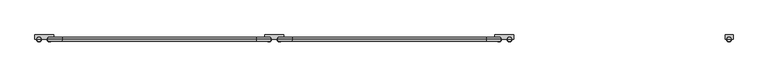
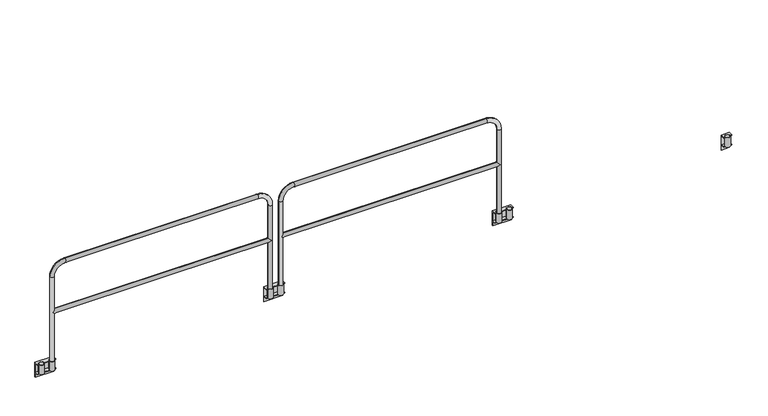
"""IFC4 building model written with IfcOpenShell, lengths in millimetres: railing geometry."""

from ifc_helpers import new_model, si_unit, point, frame, frame_2d, origin, place, context, project, spatial, polyline, circle_curve, ellipse_curve, trimmed, segment, composite_curve, outline, extrude, source, transform, mapped, element, save
from ifc_brep_helpers import plane_surface, cylinder_surface, revolved_surface, advanced_brep


def railing_58a59aab(model_context):
    return source(origin(), model_context, "Body", "SolidModel", [
        advanced_brep(
        [(44917.043726, 12431.1551937, 0.0), (44917.043726, 12431.1551937, -95.25), (44917.043726, 12393.0551937, -95.25), (44917.043726, 12393.0551937, -101.6), (44917.043726, 12431.1551937, -101.6), (44917.043726, 12431.1551937, -152.4), (44917.043726, 12437.5051937, -152.4), (44917.043726, 12437.5051937, 6.35), (44917.043726, 12393.0551937, 6.35), (44917.043726, 12393.0551937, 0.0), (44726.543726, 12431.1551937, 0.0), (44726.543726, 12393.0551937, 0.0), (44726.543726, 12393.0551937, 6.35), (44726.543726, 12437.5051937, 6.35), (44726.543726, 12437.5051937, -152.4), (44726.543726, 12431.1551937, -152.4), (44726.543726, 12431.1551937, -101.6), (44726.543726, 12393.0551937, -101.6), (44726.543726, 12393.0551937, -95.25), (44726.543726, 12431.1551937, -95.25), (44740.9246893, 12393.0551937, 0.0), (44740.9246893, 12393.0551937, 6.35), (44848.6877627, 12393.0551937, 6.35), (44794.8996893, 12393.0551937, 6.35), (44794.8996893, 12393.0551937, 0.0), (44848.6877627, 12393.0551937, 0.0), (44902.6627627, 12393.0551937, 6.35), (44902.6627627, 12393.0551937, 0.0), (44740.9246893, 12393.0551937, -95.25), (44794.8996893, 12393.0551937, -95.25), (44848.6877627, 12393.0551937, -95.25), (44902.6627627, 12393.0551937, -95.25)],
        [
            (0, 1),
            (1, 2),
            (2, 3),
            (3, 4),
            (4, 5),
            (5, 6),
            (6, 7),
            (7, 8),
            (8, 9),
            (9, 0),
            (10, 11),
            (11, 12),
            (12, 13),
            (13, 14),
            (14, 15),
            (15, 16),
            (16, 17),
            (17, 18),
            (18, 19),
            (19, 10),
            (11, 20),
            (20, 21),
            (21, 12),
            (22, 23),
            (23, 24),
            (24, 25),
            (25, 22),
            (8, 26),
            (26, 27),
            (27, 9),
            (7, 13),
            (21, 23, circle_curve(frame((44767.9121893, 12393.0551937, 6.35), z_axis=(0.0, 0.0, -1.0), x_axis=(1.0, 0.0, 0.0)), 26.9875)),
            (22, 26, circle_curve(frame((44875.6752627, 12393.0551937, 6.35), z_axis=(0.0, 0.0, -1.0), x_axis=(1.0, 0.0, 0.0)), 26.9875)),
            (27, 25, circle_curve(frame((44875.6752627, 12393.0551937, 0.0), z_axis=(0.0, 0.0, 1.0), x_axis=(1.0, 0.0, 0.0)), 26.9875)),
            (24, 20, circle_curve(frame((44767.9121893, 12393.0551937, 0.0), z_axis=(0.0, 0.0, 1.0), x_axis=(1.0, 0.0, 0.0)), 26.9875)),
            (10, 0),
            (6, 14),
            (1, 19),
            (18, 28),
            (28, 29),
            (29, 30),
            (30, 31),
            (31, 2),
            (17, 3),
            (16, 4),
            (15, 5),
        ],
        [
            plane_surface(frame((44917.043726, 12437.5051937, 0.0), z_axis=(1.0, 0.0, 0.0), x_axis=(0.0, 0.0, 1.0))),
            plane_surface(frame((44726.543726, 12437.5051937, 0.0), z_axis=(-1.0, 0.0, 0.0), x_axis=(0.0, 0.0, 1.0))),
            plane_surface(frame((44917.043726, 12393.0551937, 6.35), z_axis=(0.0, -1.0, 0.0), x_axis=(-1.0, 0.0, 0.0))),
            plane_surface(frame((44917.043726, 12437.5051937, 6.35), z_axis=(0.0, 0.0, 1.0), x_axis=(-1.0, 0.0, 0.0))),
            plane_surface(frame((44917.043726, 12393.0551937, 0.0), z_axis=(0.0, 0.0, -1.0), x_axis=(-1.0, 0.0, 0.0))),
            plane_surface(frame((44917.043726, 12437.5051937, -152.4), z_axis=(0.0, 1.0, 0.0), x_axis=(-1.0, 0.0, 0.0))),
            plane_surface(frame((44917.043726, 12431.1551937, -95.25), z_axis=(0.0, 0.0, 1.0), x_axis=(-1.0, 0.0, 0.0))),
            plane_surface(frame((44917.043726, 12393.0551937, -95.25), z_axis=(0.0, -1.0, 0.0), x_axis=(-1.0, 0.0, 0.0))),
            plane_surface(frame((44917.043726, 12393.0551937, -101.6), z_axis=(0.0, 0.0, -1.0), x_axis=(-1.0, 0.0, 0.0))),
            revolved_surface(polyline([(44794.8996893, 12393.0551937, 6.349999999999994), (44794.8996893, 12393.0551937, 0.0)]), (44767.9121893, 12393.0551937, -95.25), (0.0, 0.0, 1.0)),
            revolved_surface(polyline([(44902.662762700005, 12393.0551937, 6.35), (44902.662762700005, 12393.0551937, 0.0)]), (44875.6752627, 12393.0551937, 0.0), (0.0, 0.0, 1.0)),
            plane_surface(frame((44917.043726, 12431.1551937, -101.6), z_axis=(0.0, -1.0, 0.0), x_axis=(-1.0, 0.0, 0.0))),
            plane_surface(frame((44917.043726, 12431.1551937, -152.4), z_axis=(0.0, 0.0, -1.0), x_axis=(-1.0, 0.0, 0.0))),
            plane_surface(frame((44917.043726, 12431.1551937, 0.0), z_axis=(0.0, -1.0, 0.0), x_axis=(-1.0, 0.0, 0.0))),
        ],
        [
            (0, [[1, 2, 3, 4, 5, 6, 7, 8, 9, 10]]),
            (1, [[11, 12, 13, 14, 15, 16, 17, 18, 19, 20]]),
            (2, [[-12, 21, 22, 23]]),
            (2, [[24, 25, 26, 27]]),
            (2, [[-9, 28, 29, 30]]),
            (3, [[-8, 31, -13, -23, 32, -24, 33, -28]]),
            (4, [[-10, -30, 34, -26, 35, -21, -11, 36]]),
            (5, [[-7, 37, -14, -31]]),
            (6, [[-2, 38, -19, 39, 40, 41, 42, 43]]),
            (7, [[-3, -43, -42, -41, -40, -39, -18, 44]]),
            (8, [[-4, -44, -17, 45]]),
            (9, [[-22, -35, -25, -32]]),
            (10, [[-27, -34, -29, -33]]),
            (11, [[-5, -45, -16, 46]]),
            (12, [[-6, -46, -15, -37]]),
            (13, [[-1, -36, -20, -38]]),
        ],
    ),
        extrude(outline(composite_curve([segment(trimmed(circle_curve(frame_2d((44875.6752627, 12393.0551937)), 26.9875), [point((44848.6877627, 12393.0551937))], [point((44902.6627627, 12393.0551937))], False, "CARTESIAN"), True, "CONTINUOUS"), segment(trimmed(circle_curve(frame_2d((44875.6752627, 12393.0551937)), 26.9875), [point((44902.6627627, 12393.0551937))], [point((44848.6877627, 12393.0551937))], False, "CARTESIAN"), True, "CONTINUOUS")], self_intersect=False), holes=[composite_curve([segment(trimmed(circle_curve(frame_2d((44875.6752627, 12393.0551937)), 20.6375), [point((44855.0377627, 12393.0551937))], [point((44896.3127627, 12393.0551937))], True, "CARTESIAN"), True, "CONTINUOUS"), segment(trimmed(circle_curve(frame_2d((44875.6752627, 12393.0551937)), 20.6375), [point((44896.3127627, 12393.0551937))], [point((44855.0377627, 12393.0551937))], True, "CARTESIAN"), True, "CONTINUOUS")], self_intersect=False)]), frame((0.0, 0.0, -95.25), z_axis=(0.0, 0.0, 1.0), x_axis=(1.0, 0.0, 0.0)), (0.0, 0.0, 1.0), 101.6),
        extrude(outline(composite_curve([segment(trimmed(circle_curve(frame_2d((44767.9121893, 12393.0551937)), 26.9875), [point((44740.9246893, 12393.0551937))], [point((44794.8996893, 12393.0551937))], False, "CARTESIAN"), True, "CONTINUOUS"), segment(trimmed(circle_curve(frame_2d((44767.9121893, 12393.0551937)), 26.9875), [point((44794.8996893, 12393.0551937))], [point((44740.9246893, 12393.0551937))], False, "CARTESIAN"), True, "CONTINUOUS")], self_intersect=False), holes=[composite_curve([segment(trimmed(circle_curve(frame_2d((44767.9121893, 12393.0551937)), 20.6375), [point((44747.2746893, 12393.0551937))], [point((44788.5496893, 12393.0551937))], True, "CARTESIAN"), True, "CONTINUOUS"), segment(trimmed(circle_curve(frame_2d((44767.9121893, 12393.0551937)), 20.6375), [point((44788.5496893, 12393.0551937))], [point((44747.2746893, 12393.0551937))], True, "CARTESIAN"), True, "CONTINUOUS")], self_intersect=False)]), frame((0.0, 0.0, -95.25), z_axis=(0.0, 0.0, 1.0), x_axis=(1.0, 0.0, 0.0)), (0.0, 0.0, 1.0), 101.6),
        advanced_brep(
        [(47079.0317994, 12431.1551937, 0.0), (47079.0317994, 12393.0551937, 0.0), (47079.0317994, 12393.0551937, 6.35), (47079.0317994, 12437.5051937, 6.35), (47079.0317994, 12437.5051937, -152.4), (47079.0317994, 12431.1551937, -152.4), (47079.0317994, 12431.1551937, -101.6), (47079.0317994, 12393.0551937, -101.6), (47079.0317994, 12393.0551937, -95.25), (47079.0317994, 12431.1551937, -95.25), (47269.5317994, 12431.1551937, 0.0), (47269.5317994, 12431.1551937, -95.25), (47269.5317994, 12393.0551937, -95.25), (47269.5317994, 12393.0551937, -101.6), (47269.5317994, 12431.1551937, -101.6), (47269.5317994, 12431.1551937, -152.4), (47269.5317994, 12437.5051937, -152.4), (47269.5317994, 12437.5051937, 6.35), (47269.5317994, 12393.0551937, 6.35), (47269.5317994, 12393.0551937, 0.0), (47093.4127627, 12393.0551937, 0.0), (47093.4127627, 12393.0551937, 6.35), (47255.1508362, 12393.0551937, 6.35), (47255.1508362, 12393.0551937, 0.0), (47147.3877627, 12393.0551937, 6.35), (47147.3877627, 12393.0551937, 0.0), (47201.1758362, 12393.0551937, 0.0), (47201.1758362, 12393.0551937, 6.35), (47093.4127627, 12393.0551937, -95.25), (47147.3877627, 12393.0551937, -95.25), (47201.1758362, 12393.0551937, -95.25), (47255.1508362, 12393.0551937, -95.25)],
        [
            (0, 1),
            (1, 2),
            (2, 3),
            (3, 4),
            (4, 5),
            (5, 6),
            (6, 7),
            (7, 8),
            (8, 9),
            (9, 0),
            (10, 11),
            (11, 12),
            (12, 13),
            (13, 14),
            (14, 15),
            (15, 16),
            (16, 17),
            (17, 18),
            (18, 19),
            (19, 10),
            (1, 20),
            (20, 21),
            (21, 2),
            (18, 22),
            (22, 23),
            (23, 19),
            (24, 25),
            (25, 26),
            (26, 27),
            (27, 24),
            (21, 24, circle_curve(frame((47120.4002627, 12393.0551937, 6.35), z_axis=(0.0, 0.0, -1.0), x_axis=(-1.0, 0.0, 0.0)), 26.9875)),
            (27, 22, circle_curve(frame((47228.1633362, 12393.0551937, 6.35), z_axis=(0.0, 0.0, -1.0), x_axis=(-1.0, 0.0, 0.0)), 26.9875)),
            (17, 3),
            (0, 10),
            (23, 26, circle_curve(frame((47228.1633362, 12393.0551937, 0.0), z_axis=(0.0, 0.0, 1.0), x_axis=(-1.0, 0.0, 0.0)), 26.9875)),
            (25, 20, circle_curve(frame((47120.4002627, 12393.0551937, 0.0), z_axis=(0.0, 0.0, 1.0), x_axis=(-1.0, 0.0, 0.0)), 26.9875)),
            (16, 4),
            (8, 28),
            (28, 29),
            (29, 30),
            (30, 31),
            (31, 12),
            (11, 9),
            (7, 13),
            (6, 14),
            (5, 15),
        ],
        [
            plane_surface(frame((47079.0317994, 12437.5051937, 0.0), z_axis=(-1.0, 0.0, 0.0), x_axis=(0.0, 0.0, 1.0))),
            plane_surface(frame((47269.5317994, 12437.5051937, 0.0), z_axis=(1.0, 0.0, 0.0), x_axis=(0.0, 0.0, 1.0))),
            plane_surface(frame((47079.0317994, 12393.0551937, 6.35), z_axis=(0.0, -1.0, 0.0), x_axis=(1.0, 0.0, 0.0))),
            plane_surface(frame((47079.0317994, 12437.5051937, 6.35), z_axis=(0.0, 0.0, 1.0), x_axis=(1.0, 0.0, 0.0))),
            plane_surface(frame((47079.0317994, 12393.0551937, 0.0), z_axis=(0.0, 0.0, -1.0), x_axis=(1.0, 0.0, 0.0))),
            plane_surface(frame((47079.0317994, 12437.5051937, -152.4), z_axis=(0.0, 1.0, 0.0), x_axis=(1.0, 0.0, 0.0))),
            plane_surface(frame((47079.0317994, 12431.1551937, -95.25), z_axis=(0.0, 0.0, 1.0), x_axis=(1.0, 0.0, 0.0))),
            plane_surface(frame((47079.0317994, 12393.0551937, -95.25), z_axis=(0.0, -1.0, 0.0), x_axis=(1.0, 0.0, 0.0))),
            plane_surface(frame((47079.0317994, 12393.0551937, -101.6), z_axis=(0.0, 0.0, -1.0), x_axis=(1.0, 0.0, 0.0))),
            revolved_surface(polyline([(47201.1758362, 12393.0551937, 6.349999999999994), (47201.1758362, 12393.0551937, 0.0)]), (47228.1633362, 12393.0551937, -95.25), (0.0, 0.0, 1.0)),
            revolved_surface(polyline([(47093.4127627, 12393.0551937, 6.35), (47093.4127627, 12393.0551937, 0.0)]), (47120.4002627, 12393.0551937, 0.0), (0.0, 0.0, 1.0)),
            plane_surface(frame((47079.0317994, 12431.1551937, -101.6), z_axis=(0.0, -1.0, 0.0), x_axis=(1.0, 0.0, 0.0))),
            plane_surface(frame((47079.0317994, 12431.1551937, -152.4), z_axis=(0.0, 0.0, -1.0), x_axis=(1.0, 0.0, 0.0))),
            plane_surface(frame((47079.0317994, 12431.1551937, 0.0), z_axis=(0.0, -1.0, 0.0), x_axis=(1.0, 0.0, 0.0))),
        ],
        [
            (0, [[1, 2, 3, 4, 5, 6, 7, 8, 9, 10]]),
            (1, [[11, 12, 13, 14, 15, 16, 17, 18, 19, 20]]),
            (2, [[21, 22, 23, -2]]),
            (2, [[24, 25, 26, -19]]),
            (2, [[27, 28, 29, 30]]),
            (3, [[-23, 31, -30, 32, -24, -18, 33, -3]]),
            (4, [[34, -20, -26, 35, -28, 36, -21, -1]]),
            (5, [[-33, -17, 37, -4]]),
            (6, [[38, 39, 40, 41, 42, -12, 43, -9]]),
            (7, [[44, -13, -42, -41, -40, -39, -38, -8]]),
            (8, [[45, -14, -44, -7]]),
            (9, [[-32, -29, -35, -25]]),
            (10, [[-31, -22, -36, -27]]),
            (11, [[46, -15, -45, -6]]),
            (12, [[-37, -16, -46, -5]]),
            (13, [[-43, -11, -34, -10]]),
        ],
    ),
        extrude(outline(composite_curve([segment(trimmed(circle_curve(frame_2d((47120.4002627, 12393.0551937)), 26.9875), [point((47147.3877627, 12393.0551937))], [point((47093.4127627, 12393.0551937))], False, "CARTESIAN"), True, "CONTINUOUS"), segment(trimmed(circle_curve(frame_2d((47120.4002627, 12393.0551937)), 26.9875), [point((47093.4127627, 12393.0551937))], [point((47147.3877627, 12393.0551937))], False, "CARTESIAN"), True, "CONTINUOUS")], self_intersect=False), holes=[composite_curve([segment(trimmed(circle_curve(frame_2d((47120.4002627, 12393.0551937)), 20.6375), [point((47141.0377627, 12393.0551937))], [point((47099.7627627, 12393.0551937))], True, "CARTESIAN"), True, "CONTINUOUS"), segment(trimmed(circle_curve(frame_2d((47120.4002627, 12393.0551937)), 20.6375), [point((47099.7627627, 12393.0551937))], [point((47141.0377627, 12393.0551937))], True, "CARTESIAN"), True, "CONTINUOUS")], self_intersect=False)]), frame((0.0, 0.0, -95.25), z_axis=(0.0, 0.0, 1.0), x_axis=(1.0, 0.0, 0.0)), (0.0, 0.0, 1.0), 101.6),
        extrude(outline(composite_curve([segment(trimmed(circle_curve(frame_2d((47228.1633362, 12393.0551937)), 26.9875), [point((47255.1508362, 12393.0551937))], [point((47201.1758362, 12393.0551937))], False, "CARTESIAN"), True, "CONTINUOUS"), segment(trimmed(circle_curve(frame_2d((47228.1633362, 12393.0551937)), 26.9875), [point((47201.1758362, 12393.0551937))], [point((47255.1508362, 12393.0551937))], False, "CARTESIAN"), True, "CONTINUOUS")], self_intersect=False), holes=[composite_curve([segment(trimmed(circle_curve(frame_2d((47228.1633362, 12393.0551937)), 20.6375), [point((47248.8008362, 12393.0551937))], [point((47207.5258362, 12393.0551937))], True, "CARTESIAN"), True, "CONTINUOUS"), segment(trimmed(circle_curve(frame_2d((47228.1633362, 12393.0551937)), 20.6375), [point((47207.5258362, 12393.0551937))], [point((47248.8008362, 12393.0551937))], True, "CARTESIAN"), True, "CONTINUOUS")], self_intersect=False)]), frame((0.0, 0.0, -95.25), z_axis=(0.0, 0.0, 1.0), x_axis=(1.0, 0.0, 0.0)), (0.0, 0.0, 1.0), 101.6),
        advanced_brep(
        [(44896.3127627, 12393.0551937, 554.0375), (44875.6752627, 12372.4176937, 533.4), (44896.3127627, 12393.0551937, 512.7625), (47099.7627627, 12393.0551937, 512.7625), (47120.4002627, 12372.4176937, 533.4), (47099.7627627, 12393.0551937, 554.0375), (47120.4002627, 12413.6926937, 533.4), (44875.6752627, 12413.6926937, 533.4), (44855.0377627, 12393.0551937, -95.25), (44896.3127627, 12393.0551937, -95.25), (44896.3127627, 12393.0551937, 914.4), (44855.0377627, 12393.0551937, 914.4), (45007.4377627, 12393.0551937, 1025.525), (45007.4377627, 12393.0551937, 1066.8), (46988.6377627, 12393.0551937, 1025.525), (46988.6377627, 12393.0551937, 1066.8), (47099.7627627, 12393.0551937, 914.4), (47141.0377627, 12393.0551937, 914.4), (47141.0377627, 12393.0551937, -95.25), (47099.7627627, 12393.0551937, -95.25)],
        [
            (0, 1, ellipse_curve(frame((44875.6752627, 12393.0551937, 533.4), z_axis=(0.7071067811865475, 0.0, -0.7071067811865475), x_axis=(-0.7071067811865476, 0.0, -0.7071067811865474)), 29.1858324, 20.6375)),
            (1, 2, ellipse_curve(frame((44875.6752627, 12393.0551937, 533.4), z_axis=(0.7071067811865475, 0.0, 0.7071067811865475), x_axis=(-0.7071067811865476, 0.0, 0.7071067811865474)), 29.1858324, 20.6375)),
            (2, 3),
            (3, 4, ellipse_curve(frame((47120.4002627, 12393.0551937, 533.4), z_axis=(-0.7071067811865475, 0.0, 0.7071067811865475), x_axis=(-0.7071067811865476, 0.0, -0.7071067811865474)), 29.1858324, 20.6375)),
            (4, 5, ellipse_curve(frame((47120.4002627, 12393.0551937, 533.4), z_axis=(-0.7071067811865475, 0.0, -0.7071067811865475), x_axis=(-0.7071067811865476, 0.0, 0.7071067811865474)), 29.1858324, 20.6375)),
            (5, 0),
            (5, 6, ellipse_curve(frame((47120.4002627, 12393.0551937, 533.4), z_axis=(-0.7071067811865475, 0.0, -0.7071067811865475), x_axis=(-0.7071067811865476, 0.0, 0.7071067811865474)), 29.1858324, 20.6375)),
            (6, 3, ellipse_curve(frame((47120.4002627, 12393.0551937, 533.4), z_axis=(-0.7071067811865475, 0.0, 0.7071067811865475), x_axis=(-0.7071067811865476, 0.0, -0.7071067811865474)), 29.1858324, 20.6375)),
            (2, 7, ellipse_curve(frame((44875.6752627, 12393.0551937, 533.4), z_axis=(0.7071067811865475, 0.0, 0.7071067811865475), x_axis=(-0.7071067811865476, 0.0, 0.7071067811865474)), 29.1858324, 20.6375)),
            (7, 0, ellipse_curve(frame((44875.6752627, 12393.0551937, 533.4), z_axis=(0.7071067811865475, 0.0, -0.7071067811865475), x_axis=(-0.7071067811865476, 0.0, -0.7071067811865474)), 29.1858324, 20.6375)),
            (8, 9, circle_curve(frame((44875.6752627, 12393.0551937, -95.25), z_axis=(0.0, 0.0, -1.0), x_axis=(1.0, 0.0, 0.0)), 20.6375)),
            (9, 8, circle_curve(frame((44875.6752627, 12393.0551937, -95.25), z_axis=(0.0, 0.0, -1.0), x_axis=(1.0, 0.0, 0.0)), 20.6375)),
            (9, 2),
            (0, 10),
            (10, 11, circle_curve(frame((44875.6752627, 12393.0551937, 914.4), z_axis=(0.0, 0.0, -1.0), x_axis=(1.0, 0.0, 0.0)), 20.6375)),
            (11, 8),
            (11, 10, circle_curve(frame((44875.6752627, 12393.0551937, 914.4), z_axis=(0.0, 0.0, -1.0), x_axis=(1.0, 0.0, 0.0)), 20.6375)),
            (10, 12, circle_curve(frame((45007.4377627, 12393.0551937, 914.4), z_axis=(0.0, 1.0, 0.0), x_axis=(-1.0, 0.0, 0.0)), 111.125)),
            (12, 13, circle_curve(frame((45007.4377627, 12393.0551937, 1046.1625), z_axis=(-1.0, 0.0, 0.0), x_axis=(0.0, 0.0, -1.0)), 20.6375)),
            (13, 11, circle_curve(frame((45007.4377627, 12393.0551937, 914.4), z_axis=(0.0, -1.0, 0.0), x_axis=(-1.0, 0.0, 0.0)), 152.4)),
            (13, 12, circle_curve(frame((45007.4377627, 12393.0551937, 1046.1625), z_axis=(-1.0, 0.0, 0.0), x_axis=(0.0, 0.0, -1.0)), 20.6375)),
            (12, 14),
            (14, 15, circle_curve(frame((46988.6377627, 12393.0551937, 1046.1625), z_axis=(-1.0, 0.0, 0.0), x_axis=(0.0, 0.0, -1.0)), 20.6375)),
            (15, 13),
            (15, 14, circle_curve(frame((46988.6377627, 12393.0551937, 1046.1625), z_axis=(-1.0, 0.0, 0.0), x_axis=(0.0, 0.0, -1.0)), 20.6375)),
            (14, 16, circle_curve(frame((46988.6377627, 12393.0551937, 914.4), z_axis=(0.0, 1.0, 0.0), x_axis=(0.0, 0.0, 1.0)), 111.125)),
            (16, 17, circle_curve(frame((47120.4002627, 12393.0551937, 914.4), z_axis=(0.0, 0.0, 1.0), x_axis=(-1.0, 0.0, 0.0)), 20.6375)),
            (17, 15, circle_curve(frame((46988.6377627, 12393.0551937, 914.4), z_axis=(0.0, -1.0, 0.0), x_axis=(0.0, 0.0, 1.0)), 152.4)),
            (17, 16, circle_curve(frame((47120.4002627, 12393.0551937, 914.4), z_axis=(0.0, 0.0, 1.0), x_axis=(-1.0, 0.0, 0.0)), 20.6375)),
            (18, 19, circle_curve(frame((47120.4002627, 12393.0551937, -95.25), z_axis=(0.0, 0.0, -1.0), x_axis=(-1.0, 0.0, 0.0)), 20.6375)),
            (19, 18, circle_curve(frame((47120.4002627, 12393.0551937, -95.25), z_axis=(0.0, 0.0, -1.0), x_axis=(-1.0, 0.0, 0.0)), 20.6375)),
            (16, 5),
            (3, 19),
            (18, 17),
        ],
        [
            cylinder_surface(frame((44875.6752627, 12393.0551937, 533.4), z_axis=(-1.0, 0.0, 0.0), x_axis=(0.0, 0.0, -1.0)), 20.6375),
            plane_surface(frame((44855.0377627, 12393.0551937, -95.25), z_axis=(0.0, 0.0, -1.0), x_axis=(0.0, -1.0, 0.0))),
            cylinder_surface(frame((44875.6752627, 12393.0551937, -95.25), z_axis=(0.0, 0.0, -1.0), x_axis=(1.0, 0.0, 0.0)), 20.6375),
            revolved_surface(trimmed(ellipse_curve(frame((44875.6752627, 12393.0551937, 914.4), z_axis=(0.0, 0.0, 1.0), x_axis=(1.0, 0.0, 0.0)), 20.6375, 20.6375), [point((44855.0377627, 12393.0551937, 914.4))], [point((44896.3127627, 12393.0551937, 914.4))], True, "CARTESIAN"), (45007.4377627, 12393.0551937, 914.4), (0.0, -1.0, 0.0)),
            revolved_surface(trimmed(ellipse_curve(frame((44875.6752627, 12393.0551937, 914.4), z_axis=(0.0, 0.0, 1.0), x_axis=(1.0, 0.0, 0.0)), 20.6375, 20.6375), [point((44896.3127627, 12393.0551937, 914.4))], [point((44855.0377627, 12393.0551937, 914.4))], True, "CARTESIAN"), (45007.4377627, 12393.0551937, 914.4), (0.0, -1.0, 0.0)),
            cylinder_surface(frame((45007.4377627, 12393.0551937, 1046.1625), z_axis=(-1.0, 0.0, 0.0), x_axis=(0.0, 0.0, -1.0)), 20.6375),
            revolved_surface(trimmed(ellipse_curve(frame((46988.6377627, 12393.0551937, 1046.1625), z_axis=(1.0, 0.0, 0.0), x_axis=(0.0, 0.0, -1.0)), 20.6375, 20.6375), [point((46988.6377627, 12393.0551937, 1066.8))], [point((46988.6377627, 12393.0551937, 1025.525))], True, "CARTESIAN"), (46988.6377627, 12393.0551937, 914.4), (0.0, -1.0, 0.0)),
            revolved_surface(trimmed(ellipse_curve(frame((46988.6377627, 12393.0551937, 1046.1625), z_axis=(1.0, 0.0, 0.0), x_axis=(0.0, 0.0, -1.0)), 20.6375, 20.6375), [point((46988.6377627, 12393.0551937, 1025.525))], [point((46988.6377627, 12393.0551937, 1066.8))], True, "CARTESIAN"), (46988.6377627, 12393.0551937, 914.4), (0.0, -1.0, 0.0)),
            plane_surface(frame((47141.0377627, 12393.0551937, -95.25), z_axis=(0.0, 0.0, -1.0), x_axis=(0.0, -1.0, 0.0))),
            cylinder_surface(frame((47120.4002627, 12393.0551937, 914.4), z_axis=(0.0, 0.0, 1.0), x_axis=(-1.0, 0.0, 0.0)), 20.6375),
        ],
        [
            (0, [[1, 2, 3, 4, 5, 6]]),
            (0, [[7, 8, -3, 9, 10, -6]]),
            (1, [[11, 12]]),
            (2, [[13, -2, -1, 14, 15, 16, -12]]),
            (2, [[-16, 17, -14, -10, -9, -13, -11]]),
            (3, [[18, 19, 20, -15]]),
            (4, [[-20, 21, -18, -17]]),
            (5, [[22, 23, 24, -19]]),
            (5, [[-24, 25, -22, -21]]),
            (6, [[26, 27, 28, -23]]),
            (7, [[-28, 29, -26, -25]]),
            (8, [[30, 31]]),
            (9, [[32, -5, -4, 33, -30, 34, -27]]),
            (9, [[-34, -31, -33, -8, -7, -32, -29]]),
        ],
    ),
        advanced_brep(
        [(42564.5671635, 12431.1551937, 0.0), (42564.5671635, 12431.1551937, -95.25), (42564.5671635, 12393.0551937, -95.25), (42564.5671635, 12393.0551937, -101.6), (42564.5671635, 12431.1551937, -101.6), (42564.5671635, 12431.1551937, -152.4), (42564.5671635, 12437.5051937, -152.4), (42564.5671635, 12437.5051937, 6.35), (42564.5671635, 12393.0551937, 6.35), (42564.5671635, 12393.0551937, 0.0), (42374.0671635, 12431.1551937, 0.0), (42374.0671635, 12393.0551937, 0.0), (42374.0671635, 12393.0551937, 6.35), (42374.0671635, 12437.5051937, 6.35), (42374.0671635, 12437.5051937, -152.4), (42374.0671635, 12431.1551937, -152.4), (42374.0671635, 12431.1551937, -101.6), (42374.0671635, 12393.0551937, -101.6), (42374.0671635, 12393.0551937, -95.25), (42374.0671635, 12431.1551937, -95.25), (42388.4481268, 12393.0551937, 0.0), (42388.4481268, 12393.0551937, 6.35), (42496.2112002, 12393.0551937, 6.35), (42442.4231268, 12393.0551937, 6.35), (42442.4231268, 12393.0551937, 0.0), (42496.2112002, 12393.0551937, 0.0), (42550.1862002, 12393.0551937, 6.35), (42550.1862002, 12393.0551937, 0.0), (42388.4481268, 12393.0551937, -95.25), (42442.4231268, 12393.0551937, -95.25), (42496.2112002, 12393.0551937, -95.25), (42550.1862002, 12393.0551937, -95.25)],
        [
            (0, 1),
            (1, 2),
            (2, 3),
            (3, 4),
            (4, 5),
            (5, 6),
            (6, 7),
            (7, 8),
            (8, 9),
            (9, 0),
            (10, 11),
            (11, 12),
            (12, 13),
            (13, 14),
            (14, 15),
            (15, 16),
            (16, 17),
            (17, 18),
            (18, 19),
            (19, 10),
            (11, 20),
            (20, 21),
            (21, 12),
            (22, 23),
            (23, 24),
            (24, 25),
            (25, 22),
            (8, 26),
            (26, 27),
            (27, 9),
            (7, 13),
            (21, 23, circle_curve(frame((42415.4356268, 12393.0551937, 6.35), z_axis=(0.0, 0.0, -1.0), x_axis=(1.0, 0.0, 0.0)), 26.9875)),
            (22, 26, circle_curve(frame((42523.1987002, 12393.0551937, 6.35), z_axis=(0.0, 0.0, -1.0), x_axis=(1.0, 0.0, 0.0)), 26.9875)),
            (27, 25, circle_curve(frame((42523.1987002, 12393.0551937, 0.0), z_axis=(0.0, 0.0, 1.0), x_axis=(1.0, 0.0, 0.0)), 26.9875)),
            (24, 20, circle_curve(frame((42415.4356268, 12393.0551937, 0.0), z_axis=(0.0, 0.0, 1.0), x_axis=(1.0, 0.0, 0.0)), 26.9875)),
            (10, 0),
            (6, 14),
            (1, 19),
            (18, 28),
            (28, 29),
            (29, 30),
            (30, 31),
            (31, 2),
            (17, 3),
            (16, 4),
            (15, 5),
        ],
        [
            plane_surface(frame((42564.5671635, 12437.5051937, 0.0), z_axis=(1.0, 0.0, 0.0), x_axis=(0.0, 0.0, 1.0))),
            plane_surface(frame((42374.0671635, 12437.5051937, 0.0), z_axis=(-1.0, 0.0, 0.0), x_axis=(0.0, 0.0, 1.0))),
            plane_surface(frame((42564.5671635, 12393.0551937, 6.35), z_axis=(0.0, -1.0, 0.0), x_axis=(-1.0, 0.0, 0.0))),
            plane_surface(frame((42564.5671635, 12437.5051937, 6.35), z_axis=(0.0, 0.0, 1.0), x_axis=(-1.0, 0.0, 0.0))),
            plane_surface(frame((42564.5671635, 12393.0551937, 0.0), z_axis=(0.0, 0.0, -1.0), x_axis=(-1.0, 0.0, 0.0))),
            plane_surface(frame((42564.5671635, 12437.5051937, -152.4), z_axis=(0.0, 1.0, 0.0), x_axis=(-1.0, 0.0, 0.0))),
            plane_surface(frame((42564.5671635, 12431.1551937, -95.25), z_axis=(0.0, 0.0, 1.0), x_axis=(-1.0, 0.0, 0.0))),
            plane_surface(frame((42564.5671635, 12393.0551937, -95.25), z_axis=(0.0, -1.0, 0.0), x_axis=(-1.0, 0.0, 0.0))),
            plane_surface(frame((42564.5671635, 12393.0551937, -101.6), z_axis=(0.0, 0.0, -1.0), x_axis=(-1.0, 0.0, 0.0))),
            revolved_surface(polyline([(42442.4231268, 12393.0551937, 6.349999999999994), (42442.4231268, 12393.0551937, 0.0)]), (42415.4356268, 12393.0551937, -95.25), (0.0, 0.0, 1.0)),
            revolved_surface(polyline([(42550.186200200005, 12393.0551937, 6.35), (42550.186200200005, 12393.0551937, 0.0)]), (42523.1987002, 12393.0551937, 0.0), (0.0, 0.0, 1.0)),
            plane_surface(frame((42564.5671635, 12431.1551937, -101.6), z_axis=(0.0, -1.0, 0.0), x_axis=(-1.0, 0.0, 0.0))),
            plane_surface(frame((42564.5671635, 12431.1551937, -152.4), z_axis=(0.0, 0.0, -1.0), x_axis=(-1.0, 0.0, 0.0))),
            plane_surface(frame((42564.5671635, 12431.1551937, 0.0), z_axis=(0.0, -1.0, 0.0), x_axis=(-1.0, 0.0, 0.0))),
        ],
        [
            (0, [[1, 2, 3, 4, 5, 6, 7, 8, 9, 10]]),
            (1, [[11, 12, 13, 14, 15, 16, 17, 18, 19, 20]]),
            (2, [[-12, 21, 22, 23]]),
            (2, [[24, 25, 26, 27]]),
            (2, [[-9, 28, 29, 30]]),
            (3, [[-8, 31, -13, -23, 32, -24, 33, -28]]),
            (4, [[-10, -30, 34, -26, 35, -21, -11, 36]]),
            (5, [[-7, 37, -14, -31]]),
            (6, [[-2, 38, -19, 39, 40, 41, 42, 43]]),
            (7, [[-3, -43, -42, -41, -40, -39, -18, 44]]),
            (8, [[-4, -44, -17, 45]]),
            (9, [[-22, -35, -25, -32]]),
            (10, [[-27, -34, -29, -33]]),
            (11, [[-5, -45, -16, 46]]),
            (12, [[-6, -46, -15, -37]]),
            (13, [[-1, -36, -20, -38]]),
        ],
    ),
        extrude(outline(composite_curve([segment(trimmed(circle_curve(frame_2d((42523.1987002, 12393.0551937)), 26.9875), [point((42496.2112002, 12393.0551937))], [point((42550.1862002, 12393.0551937))], False, "CARTESIAN"), True, "CONTINUOUS"), segment(trimmed(circle_curve(frame_2d((42523.1987002, 12393.0551937)), 26.9875), [point((42550.1862002, 12393.0551937))], [point((42496.2112002, 12393.0551937))], False, "CARTESIAN"), True, "CONTINUOUS")], self_intersect=False), holes=[composite_curve([segment(trimmed(circle_curve(frame_2d((42523.1987002, 12393.0551937)), 20.6375), [point((42502.5612002, 12393.0551937))], [point((42543.8362002, 12393.0551937))], True, "CARTESIAN"), True, "CONTINUOUS"), segment(trimmed(circle_curve(frame_2d((42523.1987002, 12393.0551937)), 20.6375), [point((42543.8362002, 12393.0551937))], [point((42502.5612002, 12393.0551937))], True, "CARTESIAN"), True, "CONTINUOUS")], self_intersect=False)]), frame((0.0, 0.0, -95.25), z_axis=(0.0, 0.0, 1.0), x_axis=(1.0, 0.0, 0.0)), (0.0, 0.0, 1.0), 101.6),
        extrude(outline(composite_curve([segment(trimmed(circle_curve(frame_2d((42415.4356268, 12393.0551937)), 26.9875), [point((42388.4481268, 12393.0551937))], [point((42442.4231268, 12393.0551937))], False, "CARTESIAN"), True, "CONTINUOUS"), segment(trimmed(circle_curve(frame_2d((42415.4356268, 12393.0551937)), 26.9875), [point((42442.4231268, 12393.0551937))], [point((42388.4481268, 12393.0551937))], False, "CARTESIAN"), True, "CONTINUOUS")], self_intersect=False), holes=[composite_curve([segment(trimmed(circle_curve(frame_2d((42415.4356268, 12393.0551937)), 20.6375), [point((42394.7981268, 12393.0551937))], [point((42436.0731268, 12393.0551937))], True, "CARTESIAN"), True, "CONTINUOUS"), segment(trimmed(circle_curve(frame_2d((42415.4356268, 12393.0551937)), 20.6375), [point((42436.0731268, 12393.0551937))], [point((42394.7981268, 12393.0551937))], True, "CARTESIAN"), True, "CONTINUOUS")], self_intersect=False)]), frame((0.0, 0.0, -95.25), z_axis=(0.0, 0.0, 1.0), x_axis=(1.0, 0.0, 0.0)), (0.0, 0.0, 1.0), 101.6),
        advanced_brep(
        [(44726.5552369, 12431.1551937, 0.0), (44726.5552369, 12393.0551937, 0.0), (44726.5552369, 12393.0551937, 6.35), (44726.5552369, 12437.5051937, 6.35), (44726.5552369, 12437.5051937, -152.4), (44726.5552369, 12431.1551937, -152.4), (44726.5552369, 12431.1551937, -101.6), (44726.5552369, 12393.0551937, -101.6), (44726.5552369, 12393.0551937, -95.25), (44726.5552369, 12431.1551937, -95.25), (44917.0552369, 12431.1551937, 0.0), (44917.0552369, 12431.1551937, -95.25), (44917.0552369, 12393.0551937, -95.25), (44917.0552369, 12393.0551937, -101.6), (44917.0552369, 12431.1551937, -101.6), (44917.0552369, 12431.1551937, -152.4), (44917.0552369, 12437.5051937, -152.4), (44917.0552369, 12437.5051937, 6.35), (44917.0552369, 12393.0551937, 6.35), (44917.0552369, 12393.0551937, 0.0), (44740.9362002, 12393.0551937, 0.0), (44740.9362002, 12393.0551937, 6.35), (44902.6742737, 12393.0551937, 6.35), (44902.6742737, 12393.0551937, 0.0), (44794.9112002, 12393.0551937, 6.35), (44794.9112002, 12393.0551937, 0.0), (44848.6992737, 12393.0551937, 0.0), (44848.6992737, 12393.0551937, 6.35), (44740.9362002, 12393.0551937, -95.25), (44794.9112002, 12393.0551937, -95.25), (44848.6992737, 12393.0551937, -95.25), (44902.6742737, 12393.0551937, -95.25)],
        [
            (0, 1),
            (1, 2),
            (2, 3),
            (3, 4),
            (4, 5),
            (5, 6),
            (6, 7),
            (7, 8),
            (8, 9),
            (9, 0),
            (10, 11),
            (11, 12),
            (12, 13),
            (13, 14),
            (14, 15),
            (15, 16),
            (16, 17),
            (17, 18),
            (18, 19),
            (19, 10),
            (1, 20),
            (20, 21),
            (21, 2),
            (18, 22),
            (22, 23),
            (23, 19),
            (24, 25),
            (25, 26),
            (26, 27),
            (27, 24),
            (21, 24, circle_curve(frame((44767.9237002, 12393.0551937, 6.35), z_axis=(0.0, 0.0, -1.0), x_axis=(-1.0, 0.0, 0.0)), 26.9875)),
            (27, 22, circle_curve(frame((44875.6867737, 12393.0551937, 6.35), z_axis=(0.0, 0.0, -1.0), x_axis=(-1.0, 0.0, 0.0)), 26.9875)),
            (17, 3),
            (0, 10),
            (23, 26, circle_curve(frame((44875.6867737, 12393.0551937, 0.0), z_axis=(0.0, 0.0, 1.0), x_axis=(-1.0, 0.0, 0.0)), 26.9875)),
            (25, 20, circle_curve(frame((44767.9237002, 12393.0551937, 0.0), z_axis=(0.0, 0.0, 1.0), x_axis=(-1.0, 0.0, 0.0)), 26.9875)),
            (16, 4),
            (8, 28),
            (28, 29),
            (29, 30),
            (30, 31),
            (31, 12),
            (11, 9),
            (7, 13),
            (6, 14),
            (5, 15),
        ],
        [
            plane_surface(frame((44726.5552369, 12437.5051937, 0.0), z_axis=(-1.0, 0.0, 0.0), x_axis=(0.0, 0.0, 1.0))),
            plane_surface(frame((44917.0552369, 12437.5051937, 0.0), z_axis=(1.0, 0.0, 0.0), x_axis=(0.0, 0.0, 1.0))),
            plane_surface(frame((44726.5552369, 12393.0551937, 6.35), z_axis=(0.0, -1.0, 0.0), x_axis=(1.0, 0.0, 0.0))),
            plane_surface(frame((44726.5552369, 12437.5051937, 6.35), z_axis=(0.0, 0.0, 1.0), x_axis=(1.0, 0.0, 0.0))),
            plane_surface(frame((44726.5552369, 12393.0551937, 0.0), z_axis=(0.0, 0.0, -1.0), x_axis=(1.0, 0.0, 0.0))),
            plane_surface(frame((44726.5552369, 12437.5051937, -152.4), z_axis=(0.0, 1.0, 0.0), x_axis=(1.0, 0.0, 0.0))),
            plane_surface(frame((44726.5552369, 12431.1551937, -95.25), z_axis=(0.0, 0.0, 1.0), x_axis=(1.0, 0.0, 0.0))),
            plane_surface(frame((44726.5552369, 12393.0551937, -95.25), z_axis=(0.0, -1.0, 0.0), x_axis=(1.0, 0.0, 0.0))),
            plane_surface(frame((44726.5552369, 12393.0551937, -101.6), z_axis=(0.0, 0.0, -1.0), x_axis=(1.0, 0.0, 0.0))),
            revolved_surface(polyline([(44848.6992737, 12393.0551937, 6.349999999999994), (44848.6992737, 12393.0551937, 0.0)]), (44875.6867737, 12393.0551937, -95.25), (0.0, 0.0, 1.0)),
            revolved_surface(polyline([(44740.9362002, 12393.0551937, 6.35), (44740.9362002, 12393.0551937, 0.0)]), (44767.9237002, 12393.0551937, 0.0), (0.0, 0.0, 1.0)),
            plane_surface(frame((44726.5552369, 12431.1551937, -101.6), z_axis=(0.0, -1.0, 0.0), x_axis=(1.0, 0.0, 0.0))),
            plane_surface(frame((44726.5552369, 12431.1551937, -152.4), z_axis=(0.0, 0.0, -1.0), x_axis=(1.0, 0.0, 0.0))),
            plane_surface(frame((44726.5552369, 12431.1551937, 0.0), z_axis=(0.0, -1.0, 0.0), x_axis=(1.0, 0.0, 0.0))),
        ],
        [
            (0, [[1, 2, 3, 4, 5, 6, 7, 8, 9, 10]]),
            (1, [[11, 12, 13, 14, 15, 16, 17, 18, 19, 20]]),
            (2, [[21, 22, 23, -2]]),
            (2, [[24, 25, 26, -19]]),
            (2, [[27, 28, 29, 30]]),
            (3, [[-23, 31, -30, 32, -24, -18, 33, -3]]),
            (4, [[34, -20, -26, 35, -28, 36, -21, -1]]),
            (5, [[-33, -17, 37, -4]]),
            (6, [[38, 39, 40, 41, 42, -12, 43, -9]]),
            (7, [[44, -13, -42, -41, -40, -39, -38, -8]]),
            (8, [[45, -14, -44, -7]]),
            (9, [[-32, -29, -35, -25]]),
            (10, [[-31, -22, -36, -27]]),
            (11, [[46, -15, -45, -6]]),
            (12, [[-37, -16, -46, -5]]),
            (13, [[-43, -11, -34, -10]]),
        ],
    ),
        extrude(outline(composite_curve([segment(trimmed(circle_curve(frame_2d((44767.9237002, 12393.0551937)), 26.9875), [point((44794.9112002, 12393.0551937))], [point((44740.9362002, 12393.0551937))], False, "CARTESIAN"), True, "CONTINUOUS"), segment(trimmed(circle_curve(frame_2d((44767.9237002, 12393.0551937)), 26.9875), [point((44740.9362002, 12393.0551937))], [point((44794.9112002, 12393.0551937))], False, "CARTESIAN"), True, "CONTINUOUS")], self_intersect=False), holes=[composite_curve([segment(trimmed(circle_curve(frame_2d((44767.9237002, 12393.0551937)), 20.6375), [point((44788.5612002, 12393.0551937))], [point((44747.2862002, 12393.0551937))], True, "CARTESIAN"), True, "CONTINUOUS"), segment(trimmed(circle_curve(frame_2d((44767.9237002, 12393.0551937)), 20.6375), [point((44747.2862002, 12393.0551937))], [point((44788.5612002, 12393.0551937))], True, "CARTESIAN"), True, "CONTINUOUS")], self_intersect=False)]), frame((0.0, 0.0, -95.25), z_axis=(0.0, 0.0, 1.0), x_axis=(1.0, 0.0, 0.0)), (0.0, 0.0, 1.0), 101.6),
        extrude(outline(composite_curve([segment(trimmed(circle_curve(frame_2d((44875.6867737, 12393.0551937)), 26.9875), [point((44902.6742737, 12393.0551937))], [point((44848.6992737, 12393.0551937))], False, "CARTESIAN"), True, "CONTINUOUS"), segment(trimmed(circle_curve(frame_2d((44875.6867737, 12393.0551937)), 26.9875), [point((44848.6992737, 12393.0551937))], [point((44902.6742737, 12393.0551937))], False, "CARTESIAN"), True, "CONTINUOUS")], self_intersect=False), holes=[composite_curve([segment(trimmed(circle_curve(frame_2d((44875.6867737, 12393.0551937)), 20.6375), [point((44896.3242737, 12393.0551937))], [point((44855.0492737, 12393.0551937))], True, "CARTESIAN"), True, "CONTINUOUS"), segment(trimmed(circle_curve(frame_2d((44875.6867737, 12393.0551937)), 20.6375), [point((44855.0492737, 12393.0551937))], [point((44896.3242737, 12393.0551937))], True, "CARTESIAN"), True, "CONTINUOUS")], self_intersect=False)]), frame((0.0, 0.0, -95.25), z_axis=(0.0, 0.0, 1.0), x_axis=(1.0, 0.0, 0.0)), (0.0, 0.0, 1.0), 101.6),
        advanced_brep(
        [(42543.8362002, 12393.0551937, 554.0375), (42523.1987002, 12372.4176937, 533.4), (42543.8362002, 12393.0551937, 512.7625), (44747.2862002, 12393.0551937, 512.7625), (44767.9237002, 12372.4176937, 533.4), (44747.2862002, 12393.0551937, 554.0375), (44767.9237002, 12413.6926937, 533.4), (42523.1987002, 12413.6926937, 533.4), (42502.5612002, 12393.0551937, -95.25), (42543.8362002, 12393.0551937, -95.25), (42543.8362002, 12393.0551937, 914.4), (42502.5612002, 12393.0551937, 914.4), (42654.9612002, 12393.0551937, 1025.525), (42654.9612002, 12393.0551937, 1066.8), (44636.1612002, 12393.0551937, 1025.525), (44636.1612002, 12393.0551937, 1066.8), (44747.2862002, 12393.0551937, 914.4), (44788.5612002, 12393.0551937, 914.4), (44788.5612002, 12393.0551937, -95.25), (44747.2862002, 12393.0551937, -95.25)],
        [
            (0, 1, ellipse_curve(frame((42523.1987002, 12393.0551937, 533.4), z_axis=(0.7071067811865475, 0.0, -0.7071067811865475), x_axis=(-0.7071067811865476, 0.0, -0.7071067811865474)), 29.1858324, 20.6375)),
            (1, 2, ellipse_curve(frame((42523.1987002, 12393.0551937, 533.4), z_axis=(0.7071067811865475, 0.0, 0.7071067811865475), x_axis=(-0.7071067811865476, 0.0, 0.7071067811865474)), 29.1858324, 20.6375)),
            (2, 3),
            (3, 4, ellipse_curve(frame((44767.9237002, 12393.0551937, 533.4), z_axis=(-0.7071067811865475, 0.0, 0.7071067811865475), x_axis=(-0.7071067811865476, 0.0, -0.7071067811865474)), 29.1858324, 20.6375)),
            (4, 5, ellipse_curve(frame((44767.9237002, 12393.0551937, 533.4), z_axis=(-0.7071067811865475, 0.0, -0.7071067811865475), x_axis=(-0.7071067811865476, 0.0, 0.7071067811865474)), 29.1858324, 20.6375)),
            (5, 0),
            (5, 6, ellipse_curve(frame((44767.9237002, 12393.0551937, 533.4), z_axis=(-0.7071067811865475, 0.0, -0.7071067811865475), x_axis=(-0.7071067811865476, 0.0, 0.7071067811865474)), 29.1858324, 20.6375)),
            (6, 3, ellipse_curve(frame((44767.9237002, 12393.0551937, 533.4), z_axis=(-0.7071067811865475, 0.0, 0.7071067811865475), x_axis=(-0.7071067811865476, 0.0, -0.7071067811865474)), 29.1858324, 20.6375)),
            (2, 7, ellipse_curve(frame((42523.1987002, 12393.0551937, 533.4), z_axis=(0.7071067811865475, 0.0, 0.7071067811865475), x_axis=(-0.7071067811865476, 0.0, 0.7071067811865474)), 29.1858324, 20.6375)),
            (7, 0, ellipse_curve(frame((42523.1987002, 12393.0551937, 533.4), z_axis=(0.7071067811865475, 0.0, -0.7071067811865475), x_axis=(-0.7071067811865476, 0.0, -0.7071067811865474)), 29.1858324, 20.6375)),
            (8, 9, circle_curve(frame((42523.1987002, 12393.0551937, -95.25), z_axis=(0.0, 0.0, -1.0), x_axis=(1.0, 0.0, 0.0)), 20.6375)),
            (9, 8, circle_curve(frame((42523.1987002, 12393.0551937, -95.25), z_axis=(0.0, 0.0, -1.0), x_axis=(1.0, 0.0, 0.0)), 20.6375)),
            (9, 2),
            (0, 10),
            (10, 11, circle_curve(frame((42523.1987002, 12393.0551937, 914.4), z_axis=(0.0, 0.0, -1.0), x_axis=(1.0, 0.0, 0.0)), 20.6375)),
            (11, 8),
            (11, 10, circle_curve(frame((42523.1987002, 12393.0551937, 914.4), z_axis=(0.0, 0.0, -1.0), x_axis=(1.0, 0.0, 0.0)), 20.6375)),
            (10, 12, circle_curve(frame((42654.9612002, 12393.0551937, 914.4), z_axis=(0.0, 1.0, 0.0), x_axis=(-1.0, 0.0, 0.0)), 111.125)),
            (12, 13, circle_curve(frame((42654.9612002, 12393.0551937, 1046.1625), z_axis=(-1.0, 0.0, 0.0), x_axis=(0.0, 0.0, -1.0)), 20.6375)),
            (13, 11, circle_curve(frame((42654.9612002, 12393.0551937, 914.4), z_axis=(0.0, -1.0, 0.0), x_axis=(-1.0, 0.0, 0.0)), 152.4)),
            (13, 12, circle_curve(frame((42654.9612002, 12393.0551937, 1046.1625), z_axis=(-1.0, 0.0, 0.0), x_axis=(0.0, 0.0, -1.0)), 20.6375)),
            (12, 14),
            (14, 15, circle_curve(frame((44636.1612002, 12393.0551937, 1046.1625), z_axis=(-1.0, 0.0, 0.0), x_axis=(0.0, 0.0, -1.0)), 20.6375)),
            (15, 13),
            (15, 14, circle_curve(frame((44636.1612002, 12393.0551937, 1046.1625), z_axis=(-1.0, 0.0, 0.0), x_axis=(0.0, 0.0, -1.0)), 20.6375)),
            (14, 16, circle_curve(frame((44636.1612002, 12393.0551937, 914.4), z_axis=(0.0, 1.0, 0.0), x_axis=(0.0, 0.0, 1.0)), 111.125)),
            (16, 17, circle_curve(frame((44767.9237002, 12393.0551937, 914.4), z_axis=(0.0, 0.0, 1.0), x_axis=(-1.0, 0.0, 0.0)), 20.6375)),
            (17, 15, circle_curve(frame((44636.1612002, 12393.0551937, 914.4), z_axis=(0.0, -1.0, 0.0), x_axis=(0.0, 0.0, 1.0)), 152.4)),
            (17, 16, circle_curve(frame((44767.9237002, 12393.0551937, 914.4), z_axis=(0.0, 0.0, 1.0), x_axis=(-1.0, 0.0, 0.0)), 20.6375)),
            (18, 19, circle_curve(frame((44767.9237002, 12393.0551937, -95.25), z_axis=(0.0, 0.0, -1.0), x_axis=(-1.0, 0.0, 0.0)), 20.6375)),
            (19, 18, circle_curve(frame((44767.9237002, 12393.0551937, -95.25), z_axis=(0.0, 0.0, -1.0), x_axis=(-1.0, 0.0, 0.0)), 20.6375)),
            (16, 5),
            (3, 19),
            (18, 17),
        ],
        [
            cylinder_surface(frame((42523.1987002, 12393.0551937, 533.4), z_axis=(-1.0, 0.0, 0.0), x_axis=(0.0, 0.0, -1.0)), 20.6375),
            plane_surface(frame((42502.5612002, 12393.0551937, -95.25), z_axis=(0.0, 0.0, -1.0), x_axis=(0.0, -1.0, 0.0))),
            cylinder_surface(frame((42523.1987002, 12393.0551937, -95.25), z_axis=(0.0, 0.0, -1.0), x_axis=(1.0, 0.0, 0.0)), 20.6375),
            revolved_surface(trimmed(ellipse_curve(frame((42523.1987002, 12393.0551937, 914.4), z_axis=(0.0, 0.0, 1.0), x_axis=(1.0, 0.0, 0.0)), 20.6375, 20.6375), [point((42502.5612002, 12393.0551937, 914.4))], [point((42543.8362002, 12393.0551937, 914.4))], True, "CARTESIAN"), (42654.9612002, 12393.0551937, 914.4), (0.0, -1.0, 0.0)),
            revolved_surface(trimmed(ellipse_curve(frame((42523.1987002, 12393.0551937, 914.4), z_axis=(0.0, 0.0, 1.0), x_axis=(1.0, 0.0, 0.0)), 20.6375, 20.6375), [point((42543.8362002, 12393.0551937, 914.4))], [point((42502.5612002, 12393.0551937, 914.4))], True, "CARTESIAN"), (42654.9612002, 12393.0551937, 914.4), (0.0, -1.0, 0.0)),
            cylinder_surface(frame((42654.9612002, 12393.0551937, 1046.1625), z_axis=(-1.0, 0.0, 0.0), x_axis=(0.0, 0.0, -1.0)), 20.6375),
            revolved_surface(trimmed(ellipse_curve(frame((44636.1612002, 12393.0551937, 1046.1625), z_axis=(1.0, 0.0, 0.0), x_axis=(0.0, 0.0, -1.0)), 20.6375, 20.6375), [point((44636.1612002, 12393.0551937, 1066.8))], [point((44636.1612002, 12393.0551937, 1025.525))], True, "CARTESIAN"), (44636.1612002, 12393.0551937, 914.4), (0.0, -1.0, 0.0)),
            revolved_surface(trimmed(ellipse_curve(frame((44636.1612002, 12393.0551937, 1046.1625), z_axis=(1.0, 0.0, 0.0), x_axis=(0.0, 0.0, -1.0)), 20.6375, 20.6375), [point((44636.1612002, 12393.0551937, 1025.525))], [point((44636.1612002, 12393.0551937, 1066.8))], True, "CARTESIAN"), (44636.1612002, 12393.0551937, 914.4), (0.0, -1.0, 0.0)),
            plane_surface(frame((44788.5612002, 12393.0551937, -95.25), z_axis=(0.0, 0.0, -1.0), x_axis=(0.0, -1.0, 0.0))),
            cylinder_surface(frame((44767.9237002, 12393.0551937, 914.4), z_axis=(0.0, 0.0, 1.0), x_axis=(-1.0, 0.0, 0.0)), 20.6375),
        ],
        [
            (0, [[1, 2, 3, 4, 5, 6]]),
            (0, [[7, 8, -3, 9, 10, -6]]),
            (1, [[11, 12]]),
            (2, [[13, -2, -1, 14, 15, 16, -12]]),
            (2, [[-16, 17, -14, -10, -9, -13, -11]]),
            (3, [[18, 19, 20, -15]]),
            (4, [[-20, 21, -18, -17]]),
            (5, [[22, 23, 24, -19]]),
            (5, [[-24, 25, -22, -21]]),
            (6, [[26, 27, 28, -23]]),
            (7, [[-28, 29, -26, -25]]),
            (8, [[30, 31]]),
            (9, [[32, -5, -4, 33, -30, 34, -27]]),
            (9, [[-34, -31, -33, -8, -7, -32, -29]]),
        ],
    ),
        advanced_brep(
        [(49431.4686744, 12431.1551937, 0.0), (49431.4686744, 12393.0551937, 0.0), (49431.4686744, 12393.0551937, 6.35), (49431.4686744, 12437.5051937, 6.35), (49431.4686744, 12437.5051937, -152.4), (49431.4686744, 12431.1551937, -152.4), (49431.4686744, 12431.1551937, -101.6), (49431.4686744, 12393.0551937, -101.6), (49431.4686744, 12393.0551937, -95.25), (49431.4686744, 12431.1551937, -95.25), (49514.205601, 12431.1551937, 0.0), (49514.205601, 12431.1551937, -95.25), (49514.205601, 12393.0551937, -95.25), (49514.205601, 12393.0551937, -101.6), (49514.205601, 12431.1551937, -101.6), (49514.205601, 12431.1551937, -152.4), (49514.205601, 12437.5051937, -152.4), (49514.205601, 12437.5051937, 6.35), (49514.205601, 12393.0551937, 6.35), (49514.205601, 12393.0551937, 0.0), (49445.8496377, 12393.0551937, 0.0), (49445.8496377, 12393.0551937, 6.35), (49499.8246377, 12393.0551937, 6.35), (49499.8246377, 12393.0551937, 0.0), (49445.8496377, 12393.0551937, -95.25), (49499.8246377, 12393.0551937, -95.25)],
        [
            (0, 1),
            (1, 2),
            (2, 3),
            (3, 4),
            (4, 5),
            (5, 6),
            (6, 7),
            (7, 8),
            (8, 9),
            (9, 0),
            (10, 11),
            (11, 12),
            (12, 13),
            (13, 14),
            (14, 15),
            (15, 16),
            (16, 17),
            (17, 18),
            (18, 19),
            (19, 10),
            (1, 20),
            (20, 21),
            (21, 2),
            (18, 22),
            (22, 23),
            (23, 19),
            (21, 22, circle_curve(frame((49472.8371377, 12393.0551937, 6.35), z_axis=(0.0, 0.0, -1.0), x_axis=(-1.0, 0.0, 0.0)), 26.9875)),
            (17, 3),
            (0, 10),
            (23, 20, circle_curve(frame((49472.8371377, 12393.0551937, 0.0), z_axis=(0.0, 0.0, 1.0), x_axis=(-1.0, 0.0, 0.0)), 26.9875)),
            (16, 4),
            (8, 24),
            (24, 25),
            (25, 12),
            (11, 9),
            (7, 13),
            (6, 14),
            (5, 15),
        ],
        [
            plane_surface(frame((49431.4686744, 12437.5051937, 0.0), z_axis=(-1.0, 0.0, 0.0), x_axis=(0.0, 0.0, 1.0))),
            plane_surface(frame((49514.205601, 12437.5051937, 0.0), z_axis=(1.0, 0.0, 0.0), x_axis=(0.0, 0.0, 1.0))),
            plane_surface(frame((49431.4686744, 12393.0551937, 6.35), z_axis=(0.0, -1.0, 0.0), x_axis=(1.0, 0.0, 0.0))),
            plane_surface(frame((49431.4686744, 12437.5051937, 6.35), z_axis=(0.0, 0.0, 1.0), x_axis=(1.0, 0.0, 0.0))),
            plane_surface(frame((49431.4686744, 12393.0551937, 0.0), z_axis=(0.0, 0.0, -1.0), x_axis=(1.0, 0.0, 0.0))),
            plane_surface(frame((49431.4686744, 12437.5051937, -152.4), z_axis=(0.0, 1.0, 0.0), x_axis=(1.0, 0.0, 0.0))),
            plane_surface(frame((49431.4686744, 12431.1551937, -95.25), z_axis=(0.0, 0.0, 1.0), x_axis=(1.0, 0.0, 0.0))),
            plane_surface(frame((49431.4686744, 12393.0551937, -95.25), z_axis=(0.0, -1.0, 0.0), x_axis=(1.0, 0.0, 0.0))),
            plane_surface(frame((49431.4686744, 12393.0551937, -101.6), z_axis=(0.0, 0.0, -1.0), x_axis=(1.0, 0.0, 0.0))),
            revolved_surface(polyline([(49445.8496377, 12393.0551937, 6.349999999999994), (49445.8496377, 12393.0551937, 0.0)]), (49472.8371377, 12393.0551937, -95.25), (0.0, 0.0, 1.0)),
            plane_surface(frame((49431.4686744, 12431.1551937, -101.6), z_axis=(0.0, -1.0, 0.0), x_axis=(1.0, 0.0, 0.0))),
            plane_surface(frame((49431.4686744, 12431.1551937, -152.4), z_axis=(0.0, 0.0, -1.0), x_axis=(1.0, 0.0, 0.0))),
            plane_surface(frame((49431.4686744, 12431.1551937, 0.0), z_axis=(0.0, -1.0, 0.0), x_axis=(1.0, 0.0, 0.0))),
        ],
        [
            (0, [[1, 2, 3, 4, 5, 6, 7, 8, 9, 10]]),
            (1, [[11, 12, 13, 14, 15, 16, 17, 18, 19, 20]]),
            (2, [[21, 22, 23, -2]]),
            (2, [[24, 25, 26, -19]]),
            (3, [[-23, 27, -24, -18, 28, -3]]),
            (4, [[29, -20, -26, 30, -21, -1]]),
            (5, [[-28, -17, 31, -4]]),
            (6, [[32, 33, 34, -12, 35, -9]]),
            (7, [[36, -13, -34, -33, -32, -8]]),
            (8, [[37, -14, -36, -7]]),
            (9, [[-27, -22, -30, -25]]),
            (10, [[38, -15, -37, -6]]),
            (11, [[-31, -16, -38, -5]]),
            (12, [[-35, -11, -29, -10]]),
        ],
    ),
        extrude(outline(composite_curve([segment(trimmed(circle_curve(frame_2d((49472.8371377, 12393.0551937)), 26.9875), [point((49499.8246377, 12393.0551937))], [point((49445.8496377, 12393.0551937))], False, "CARTESIAN"), True, "CONTINUOUS"), segment(trimmed(circle_curve(frame_2d((49472.8371377, 12393.0551937)), 26.9875), [point((49445.8496377, 12393.0551937))], [point((49499.8246377, 12393.0551937))], False, "CARTESIAN"), True, "CONTINUOUS")], self_intersect=False), holes=[composite_curve([segment(trimmed(circle_curve(frame_2d((49472.8371377, 12393.0551937)), 20.6375), [point((49493.4746377, 12393.0551937))], [point((49452.1996377, 12393.0551937))], True, "CARTESIAN"), True, "CONTINUOUS"), segment(trimmed(circle_curve(frame_2d((49472.8371377, 12393.0551937)), 20.6375), [point((49452.1996377, 12393.0551937))], [point((49493.4746377, 12393.0551937))], True, "CARTESIAN"), True, "CONTINUOUS")], self_intersect=False)]), frame((0.0, 0.0, -95.25), z_axis=(0.0, 0.0, 1.0), x_axis=(1.0, 0.0, 0.0)), (0.0, 0.0, 1.0), 101.6),
    ])


if __name__ == "__main__":
    model = new_model("IFC4")
    model_context = context("Model", 3, world=origin())
    ifc_project = project(units=[si_unit("LENGTHUNIT", "METRE", prefix="MILLI")], contexts=[model_context])
    site = spatial("IfcSite", under=ifc_project)
    building = spatial("IfcBuilding", under=site)
    placement = place(None, origin())
    railing_shape = railing_58a59aab(model_context)
    element("IfcRailing", 1, at=placement, inside=building, context=model_context, shape_type="MappedRepresentation", body=[
        mapped(railing_shape, transform((0.0, 0.0, 0.0), x_axis=(1.0, 0.0, 0.0), y_axis=(0.0, 1.0, 0.0), z_axis=(0.0, 0.0, 1.0))),
    ])
    save(model, "model.ifc")
